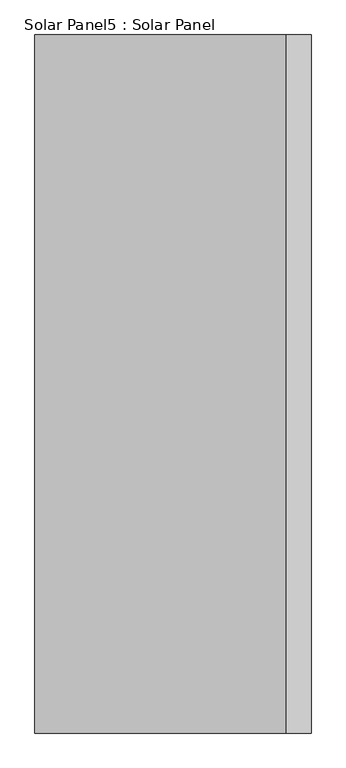
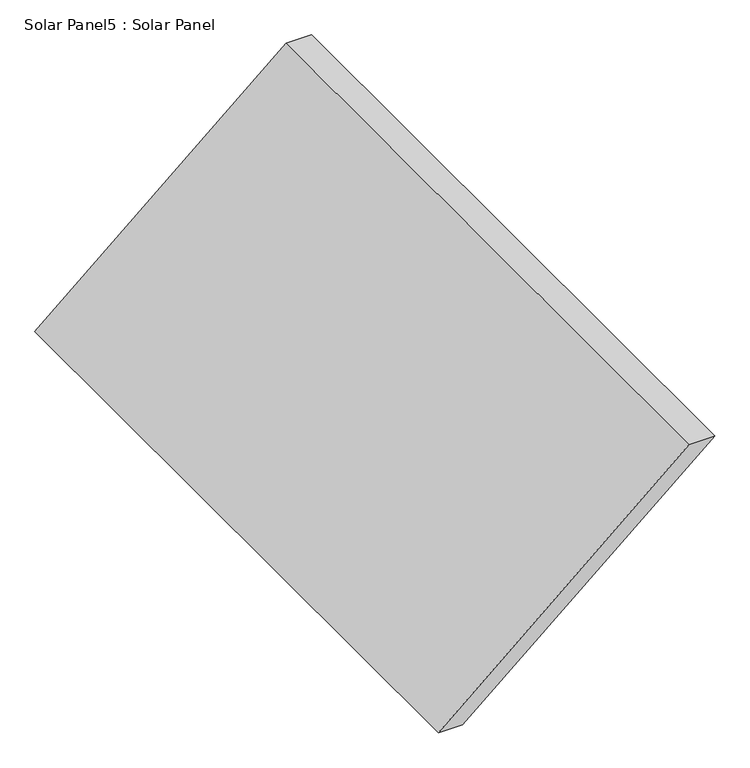
"""IFC4 building model written with IfcOpenShell, lengths in millimetres: air terminal geometry, Solar Panel5 : Solar Panel."""

from ifc_helpers import new_model, si_unit, frame, origin, place, context, project, spatial, polyline, outline, extrude, source, transform, mapped, element, save


def solar_panel5_solar_panel_d3ba8722(model_context):
    return source(origin(), model_context, "Body", "SweptSolid", [
        extrude(outline(polyline([(5700.0, 17715.7310819), (5700.0, 17815.7310819), (6600.0, 18862.6475141), (6600.0, 18756.7300303), (5700.0, 17715.7310819)])), frame((0.0, 8150.3822728, 0.0), z_axis=(0.0, 1.0, 0.0), x_axis=(0.0, 0.0, 1.0)), (0.0, 0.0, 1.0), 2900.0),
    ])


if __name__ == "__main__":
    model = new_model("IFC4")
    model_context = context("Model", 3, world=origin())
    ifc_project = project(units=[si_unit("LENGTHUNIT", "METRE", prefix="MILLI")], contexts=[model_context])
    site = spatial("IfcSite", under=ifc_project)
    building = spatial("IfcBuilding", under=site)
    placement = place(None, origin())
    solar_panel5_solar_panel_shape = solar_panel5_solar_panel_d3ba8722(model_context)
    element("IfcAirTerminal", 1, ObjectType="Solar Panel5 : Solar Panel", at=placement, inside=building, context=model_context, shape_type="MappedRepresentation", body=[
        mapped(solar_panel5_solar_panel_shape, transform((0.0, 0.0, 0.0), x_axis=(1.0, 0.0, 0.0), y_axis=(0.0, 1.0, 0.0), z_axis=(0.0, 0.0, 1.0))),
    ])
    save(model, "model.ifc")
